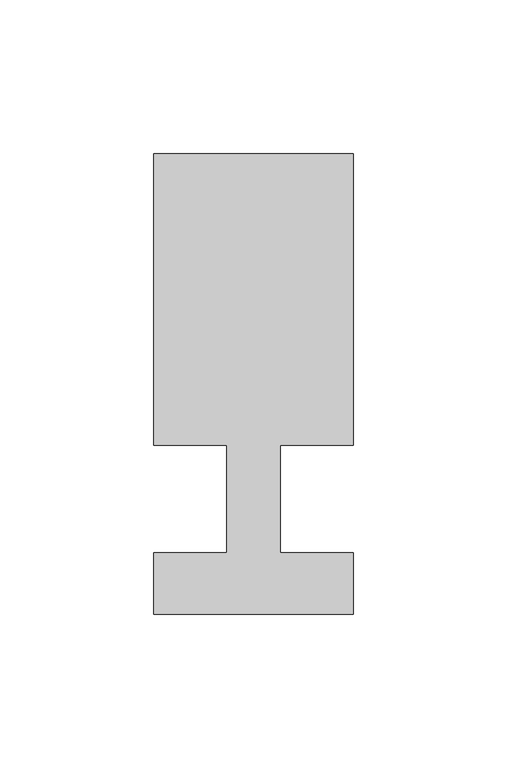
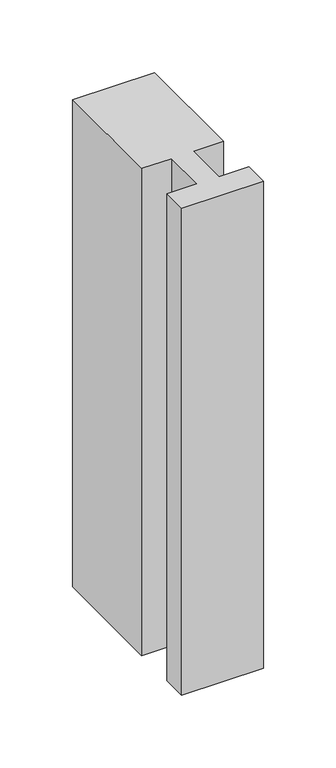
"""IFC4 building model written with IfcOpenShell, lengths in millimetres: member geometry."""

from ifc_helpers import new_model, si_unit, frame, origin, place, context, project, spatial, polyline, outline, extrude, source, transform, mapped, element, save


def member_d8409aff(model_context):
    return source(origin(), model_context, "Body", "SweptSolid", [
        extrude(outline(polyline([(-65.0, -37.0), (-65.0, -17.0), (-41.1875, -17.0), (-41.1875, 18.0), (-65.0, 18.0), (-65.0, 113.0), (0.0, 113.0), (0.0, 18.0), (-23.8125, 18.0), (-23.8125, -17.0), (0.0, -17.0), (0.0, -37.0), (-65.0, -37.0)])), frame((0.0, 0.0, -408.8125), z_axis=(0.0, 0.0, 1.0), x_axis=(1.0, 0.0, 0.0)), (0.0, 0.0, 1.0), 408.8125),
    ])


if __name__ == "__main__":
    model = new_model("IFC4")
    model_context = context("Model", 3, world=origin())
    ifc_project = project(units=[si_unit("LENGTHUNIT", "METRE", prefix="MILLI")], contexts=[model_context])
    site = spatial("IfcSite", under=ifc_project)
    building = spatial("IfcBuilding", under=site)
    placement = place(None, origin())
    member_shape = member_d8409aff(model_context)
    element("IfcMember", 1, at=placement, inside=building, context=model_context, shape_type="MappedRepresentation", body=[
        mapped(member_shape, transform((0.0, 0.0, 0.0), x_axis=(1.0, 0.0, 0.0), y_axis=(0.0, 1.0, 0.0), z_axis=(0.0, 0.0, 1.0))),
    ])
    save(model, "model.ifc")
